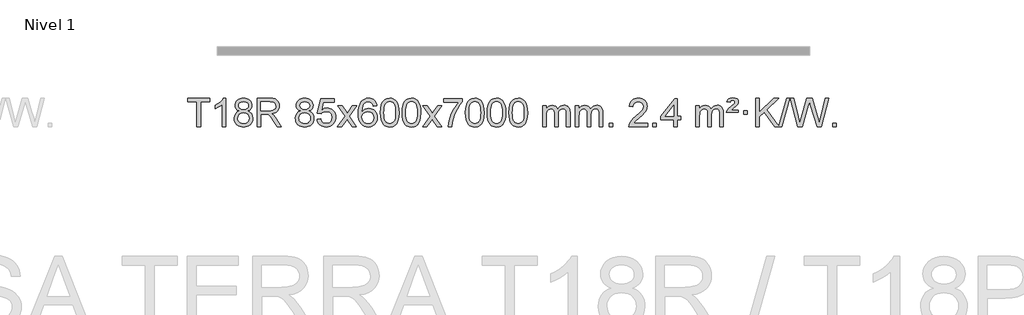
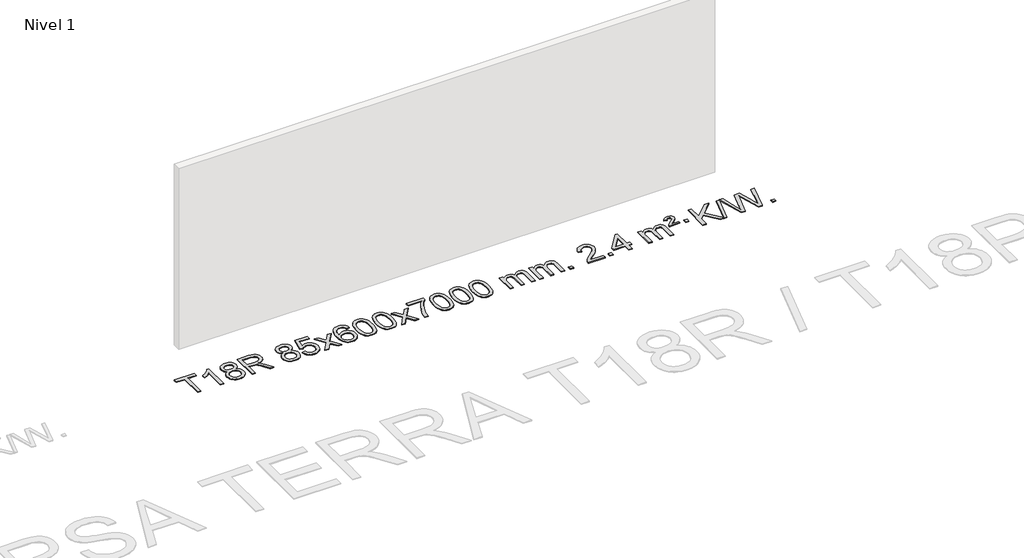
# One storey, part 5 of 7: 1 proxy.
"""IFC4 building model written with IfcOpenShell, lengths in millimetres."""

from ifc_helpers import new_model, si_unit, origin, origin_with_axes, place, context, project, spatial, polyline, outline, extrude, element, save

model = new_model("IFC4")

# Units and contexts
model_context = context("Model", 3, world=origin())
ifc_project = project(units=[si_unit("LENGTHUNIT", "METRE", prefix="MILLI")], contexts=[model_context])

# Site, building, storey
site = spatial("IfcSite", under=ifc_project)
building = spatial("IfcBuilding", under=site)
storey = spatial("IfcBuildingStorey", under=building, Name="Nivel 1", Elevation=0.0)

# Proxy
placement = place(None, origin())
element("IfcBuildingElementProxy", 1, Name="Texto de modelo 1", ObjectType="Texto de modelo 1", at=placement, inside=storey, context=model_context, shape_type="SweptSolid", body=[
    extrude(outline(polyline([(-14763.4200984, 2801.3831431), (-14763.4200984, 3152.9802287), (-14895.2690055, 3152.9802287), (-14895.2690055, 3203.2083837), (-14581.3430363, 3203.2083837), (-14581.3430363, 3152.9802287), (-14713.1919434, 3152.9802287), (-14713.1919434, 2801.3831431), (-14763.4200984, 2801.3831431)])), origin_with_axes(), (0.0, 0.0, 1.0), 10.0),
    extrude(outline(polyline([(-14355.3163385, 2801.3831431), (-14405.5444935, 2801.3831431), (-14405.5444935, 3114.5242974), (-14426.5137673, 3097.5649374), (-14453.1238982, 3080.6301029), (-14506.0008037, 3055.2707707), (-14506.0008037, 3102.7520736), (-14466.5515911, 3124.2118566), (-14432.3753537, 3149.7428671), (-14405.4341289, 3176.8925583), (-14387.689954, 3203.2083837), (-14355.3163385, 3203.2083837), (-14355.3163385, 2801.3831431)])), origin_with_axes(), (0.0, 0.0, 1.0), 10.0),
    extrude(outline(polyline([(-14162.8404786, 3022.7009514), (-14189.7326524, 3035.9447033), (-14208.6049988, 3053.8973446), (-14219.7518232, 3076.1909935), (-14223.4674314, 3102.457768), (-14221.4440804, 3122.9426637), (-14215.3740275, 3141.7230396), (-14205.2572726, 3158.7988955), (-14191.0938158, 3174.1702316), (-14173.5642387, 3186.8744231), (-14153.3491231, 3195.9488457), (-14130.4484689, 3201.3934992), (-14104.8622761, 3203.2083837), (-14079.153456, 3201.3505797), (-14056.0811236, 3195.7771674), (-14035.6452788, 3186.488147), (-14017.8459216, 3173.4835185), (-14003.4249473, 3157.8117455), (-13993.1242515, 3140.5212918), (-13986.943834, 3121.6121572), (-13984.8836948, 3101.0843419), (-13988.550252, 3075.663696), (-13999.5499237, 3053.7501918), (-14018.0053371, 3035.9079151), (-14044.0391196, 3022.7009514), (-14013.1247693, 3006.771661), (-13990.6226539, 2983.3130525), (-13976.9006555, 2953.4532972), (-13972.326656, 2918.3205667), (-13974.5952617, 2893.2678028), (-13981.4010786, 2870.2997036), (-13992.7441067, 2849.416269), (-14008.6243462, 2830.617499), (-14028.2079311, 2815.0806161), (-14050.6609955, 2803.9828426), (-14075.9835395, 2797.3241785), (-14104.1755631, 2795.1046237), (-14132.3675867, 2797.3333755), (-14157.6901307, 2804.0196308), (-14180.1431951, 2815.1633895), (-14199.72678, 2830.7646518), (-14215.6070194, 2849.6952461), (-14226.9500476, 2870.8270011), (-14233.7558645, 2894.1599166), (-14236.0244702, 2919.6939928), (-14231.2665297, 2956.1878867), (-14216.9927083, 2986.2070575), (-14193.9387699, 3008.7214356), (-14162.8404786, 3022.7009514)]), holes=[polyline([(-14173.2392763, 3100.98624), (-14168.7879042, 3079.0604731), (-14155.4337877, 3061.5492901), (-14133.5693345, 3050.0713719), (-14103.5869519, 3046.2453991), (-14074.3035451, 3050.0468464), (-14052.7701856, 3061.4511883), (-14039.5264338, 3078.37376), (-14035.1118499, 3098.7298971), (-14039.6735866, 3119.8585864), (-14053.3587968, 3137.3329811), (-14075.1864619, 3149.0684168), (-14104.1755631, 3152.9802287), (-14133.3486053, 3149.1542559), (-14155.1394822, 3137.6763377), (-14168.7143278, 3120.8518677), (-14173.2392763, 3100.98624)]), polyline([(-14185.7963151, 2921.4598264), (-14183.6993877, 2902.2441235), (-14177.4086056, 2883.6415573), (-14165.7957973, 2867.4179613), (-14147.7327913, 2855.3391691), (-14126.10133, 2847.8343764), (-14103.7831556, 2845.3327788), (-14069.5946555, 2850.5934914), (-14055.7009789, 2857.169382), (-14043.9410177, 2866.3756289), (-14027.9013628, 2890.2756959), (-14022.5548111, 2919.8901965), (-14028.073041, 2950.0074692), (-14044.6277308, 2974.4348337), (-14056.706523, 2983.8771382), (-14070.8699798, 2990.6216414), (-14105.4508873, 2996.017244), (-14139.1611408, 2990.6952178), (-14152.8984677, 2984.0426851), (-14164.5572612, 2974.7291393), (-14180.4865516, 2950.7677586), (-14185.7963151, 2921.4598264)])]), origin_with_axes(), (0.0, 0.0, 1.0), 10.0),
    extrude(outline(polyline([(-13909.5414622, 2801.3831431), (-13909.5414622, 3203.2083837), (-13736.3916698, 3203.2083837), (-13689.8545974, 3200.4983197), (-13655.9971911, 3192.3681276), (-13631.2509956, 3177.3585422), (-13612.0475554, 3154.0102982), (-13599.7235086, 3125.0579852), (-13595.615493, 3093.2361926), (-13597.3169472, 3072.5980127), (-13602.4213099, 3053.65209), (-13610.928581, 3036.3984244), (-13622.8387606, 3020.837016), (-13638.3051328, 3007.4645055), (-13657.4809818, 2996.7775335), (-13680.3663076, 2988.7761001), (-13706.9611102, 2983.4602053), (-13678.4134673, 2961.9758968), (-13637.7011932, 2910.2762137), (-13570.6976191, 2801.3831431), (-13629.068229, 2801.3831431), (-13681.3565233, 2884.6716268), (-13719.1257415, 2939.8048752), (-13733.166571, 2955.8813184), (-13745.6622961, 2965.8509204), (-13769.5501003, 2975.4158523), (-13798.6863543, 2977.1816859), (-13859.3133071, 2977.1816859), (-13859.3133071, 2801.3831431), (-13909.5414622, 2801.3831431)]), holes=[polyline([(-13859.3133071, 3027.409841), (-13746.8885694, 3027.409841), (-13714.6007929, 3029.1879373), (-13689.5480291, 3034.5222262), (-13670.6879454, 3043.768327), (-13656.9782097, 3057.281859), (-13648.6272885, 3073.6280823), (-13645.843648, 3091.3722572), (-13651.1534115, 3115.8731981), (-13667.0827019, 3135.6161985), (-13679.2442675, 3143.2129617), (-13694.4899105, 3148.6392211), (-13734.2334287, 3152.9802287), (-13859.3133071, 3152.9802287), (-13859.3133071, 3027.409841)])]), origin_with_axes(), (0.0, 0.0, 1.0), 10.0),
    extrude(outline(polyline([(-13296.4048035, 3022.7009514), (-13323.2969774, 3035.9447033), (-13342.1693237, 3053.8973446), (-13353.3161482, 3076.1909935), (-13357.0317563, 3102.457768), (-13355.0084054, 3122.9426637), (-13348.9383525, 3141.7230396), (-13338.8215976, 3158.7988955), (-13324.6581408, 3174.1702316), (-13307.1285637, 3186.8744231), (-13286.9134481, 3195.9488457), (-13264.0127939, 3201.3934992), (-13238.4266011, 3203.2083837), (-13212.717781, 3201.3505797), (-13189.6454485, 3195.7771674), (-13169.2096037, 3186.488147), (-13151.4102465, 3173.4835185), (-13136.9892723, 3157.8117455), (-13126.6885764, 3140.5212918), (-13120.5081589, 3121.6121572), (-13118.4480197, 3101.0843419), (-13122.114577, 3075.663696), (-13133.1142486, 3053.7501918), (-13151.569662, 3035.9079151), (-13177.6034446, 3022.7009514), (-13146.6890942, 3006.771661), (-13124.1869789, 2983.3130525), (-13110.4649804, 2953.4532972), (-13105.890981, 2918.3205667), (-13108.1595866, 2893.2678028), (-13114.9654035, 2870.2997036), (-13126.3084317, 2849.416269), (-13142.1886712, 2830.617499), (-13161.772256, 2815.0806161), (-13184.2253205, 2803.9828426), (-13209.5478645, 2797.3241785), (-13237.739888, 2795.1046237), (-13265.9319116, 2797.3333755), (-13291.2544556, 2804.0196308), (-13313.7075201, 2815.1633895), (-13333.2911049, 2830.7646518), (-13349.1713444, 2849.6952461), (-13360.5143726, 2870.8270011), (-13367.3201895, 2894.1599166), (-13369.5887951, 2919.6939928), (-13364.8308546, 2956.1878867), (-13350.5570332, 2986.2070575), (-13327.5030949, 3008.7214356), (-13296.4048035, 3022.7009514)]), holes=[polyline([(-13306.8036013, 3100.98624), (-13302.3522291, 3079.0604731), (-13288.9981127, 3061.5492901), (-13267.1336595, 3050.0713719), (-13237.1512769, 3046.2453991), (-13207.86787, 3050.0468464), (-13186.3345106, 3061.4511883), (-13173.0907588, 3078.37376), (-13168.6761748, 3098.7298971), (-13173.2379116, 3119.8585864), (-13186.9231218, 3137.3329811), (-13208.7507868, 3149.0684168), (-13237.739888, 3152.9802287), (-13266.9129303, 3149.1542559), (-13288.7038071, 3137.6763377), (-13302.2786527, 3120.8518677), (-13306.8036013, 3100.98624)]), polyline([(-13319.36064, 2921.4598264), (-13317.2637127, 2902.2441235), (-13310.9729306, 2883.6415573), (-13299.3601222, 2867.4179613), (-13281.2971163, 2855.3391691), (-13259.665655, 2847.8343764), (-13237.3474806, 2845.3327788), (-13203.1589805, 2850.5934914), (-13189.2653038, 2857.169382), (-13177.5053427, 2866.3756289), (-13161.4656877, 2890.2756959), (-13156.119136, 2919.8901965), (-13161.637366, 2950.0074692), (-13178.1920558, 2974.4348337), (-13190.2708479, 2983.8771382), (-13204.4343047, 2990.6216414), (-13239.0152123, 2996.017244), (-13272.7254658, 2990.6952178), (-13286.4627926, 2984.0426851), (-13298.1215862, 2974.7291393), (-13314.0508766, 2950.7677586), (-13319.36064, 2921.4598264)])]), origin_with_axes(), (0.0, 0.0, 1.0), 10.0),
    extrude(outline(polyline([(-13061.9413453, 2908.1179727), (-13011.7131902, 2914.396492), (-13002.4916149, 2884.2424312), (-12986.4029089, 2862.6477581), (-12963.5206488, 2849.6615236), (-12933.918411, 2845.3327788), (-12914.7885472, 2846.8380293), (-12897.9150264, 2851.3537808), (-12883.2978484, 2858.8800333), (-12870.9370134, 2869.4167868), (-12861.1084328, 2882.4428751), (-12854.088018, 2897.4371321), (-12848.4716862, 2933.3301521), (-12853.7323987, 2967.1262447), (-12860.3082894, 2981.0444468), (-12869.5145363, 2992.9760862), (-12881.3817964, 3002.5471495), (-12895.9407263, 3009.3836232), (-12933.133596, 3014.8528022), (-12957.4996469, 3012.6700357), (-12977.2303845, 3006.1217362), (-12992.9879967, 2996.0908204), (-13005.4346708, 2983.4602053), (-13055.6628259, 2989.7387247), (-13011.7131902, 3196.9298643), (-12817.0790893, 3196.9298643), (-12817.0790893, 3146.7017093), (-12971.0990179, 3146.7017093), (-12992.5833265, 3036.0428051), (-12974.8575457, 3048.7469967), (-12956.7025692, 3057.8214192), (-12938.1183971, 3063.2660728), (-12919.1050293, 3065.0809573), (-12894.6439423, 3062.8307457), (-12872.1755494, 3056.0801111), (-12851.6998507, 3044.8290534), (-12833.2168461, 3029.0775727), (-12817.9160208, 3009.7882934), (-12806.9868599, 2987.9238402), (-12800.4293633, 2963.4842129), (-12798.2435311, 2936.4694118), (-12800.2116998, 2910.447892), (-12806.1162058, 2886.2412567), (-12815.9570492, 2863.8495059), (-12829.7342299, 2843.2726396), (-12850.6054018, 2822.1991327), (-12874.9591899, 2807.1466277), (-12902.7955942, 2798.1151247), (-12934.1146147, 2795.1046237), (-12960.0349669, 2797.0390699), (-12983.4475902, 2802.8424084), (-13004.3524846, 2812.5146392), (-13022.7496501, 2826.0557623), (-13038.0566067, 2842.7913274), (-13049.6908748, 2862.0468841), (-13057.6524544, 2883.8224326), (-13061.9413453, 2908.1179727)])), origin_with_axes(), (0.0, 0.0, 1.0), 10.0),
    extrude(outline(polyline([(-12773.1294536, 2801.3831431), (-12665.8060129, 2949.7131636), (-12766.8509342, 3096.4735542), (-12706.4201851, 3096.4735542), (-12657.6635581, 3025.8402111), (-12634.9039253, 2992.4855769), (-12615.1854503, 3019.7578955), (-12559.6597945, 3096.4735542), (-12499.2290455, 3096.4735542), (-12605.3752638, 2949.7131636), (-12503.1531201, 2801.3831431), (-12563.5838692, 2801.3831431), (-12625.0937387, 2890.5577388), (-12636.3754533, 2906.8426484), (-12712.6987045, 2801.3831431), (-12773.1294536, 2801.3831431)])), origin_with_axes(), (0.0, 0.0, 1.0), 10.0),
    extrude(outline(polyline([(-12214.3412284, 3096.4735542), (-12264.5693835, 3090.1950348), (-12272.6627874, 3115.0883832), (-12283.6011454, 3132.0845313), (-12306.3853036, 3147.7563043), (-12333.9274023, 3152.9802287), (-12357.2756463, 3149.9390708), (-12379.2504641, 3140.8155973), (-12398.1228105, 3121.5998945), (-12413.5370661, 3095.149179), (-12423.9481265, 3057.7355801), (-12427.8108875, 3005.6312269), (-12407.6632169, 3029.1388863), (-12383.5178952, 3045.7058389), (-12356.7238233, 3055.5282881), (-12328.6299016, 3058.8024379), (-12304.4968427, 3056.5644891), (-12282.2277192, 3049.8506427), (-12261.8225312, 3038.6608987), (-12243.2812787, 3022.995257), (-12227.8731545, 3003.7856855), (-12216.8673514, 2981.9641518), (-12210.2638696, 2957.530656), (-12208.062709, 2930.485198), (-12212.2075128, 2894.5186016), (-12224.6419243, 2861.1762301), (-12244.3358737, 2832.8983674), (-12270.2592917, 2812.1252974), (-12301.2349557, 2799.3597922), (-12336.0856433, 2795.1046237), (-12366.0281721, 2797.9250524), (-12393.0705644, 2806.3863383), (-12417.2128203, 2820.4884814), (-12438.4549399, 2840.2314818), (-12455.7729848, 2866.4492053), (-12468.1430169, 2899.9755178), (-12475.5650361, 2940.8104193), (-12478.0390425, 2988.9539097), (-12475.2921903, 3042.9283298), (-12467.0516336, 3088.993287), (-12453.3173725, 3127.1487812), (-12434.0894068, 3157.3948126), (-12413.2488918, 3177.43825), (-12389.0851761, 3191.7549909), (-12361.5982597, 3200.3450355), (-12330.7881426, 3203.2083837), (-12307.6544965, 3201.4364188), (-12286.7158796, 3196.120524), (-12267.9722919, 3187.2606992), (-12251.4237335, 3174.8569446), (-12237.5177941, 3159.3261931), (-12226.7020634, 3141.0853775), (-12218.9765415, 3120.1344979), (-12214.3412284, 3096.4735542)]), holes=[polyline([(-12427.8108875, 2931.2700129), (-12424.9046197, 2909.0131522), (-12416.1858164, 2887.7618356), (-12402.647759, 2869.4903632), (-12385.2837288, 2856.1730349), (-12364.3267178, 2848.0428429), (-12340.0097179, 2845.3327788), (-12306.8635502, 2850.9491106), (-12292.9484137, 2857.9695254), (-12280.8052422, 2867.798106), (-12270.9552018, 2880.0363137), (-12263.9194586, 2894.2856096), (-12258.2908641, 2928.8174663), (-12263.8458822, 2961.963634), (-12270.7896549, 2975.5844649), (-12280.5109366, 2987.2371271), (-12292.6908963, 2996.5721327), (-12307.010703, 3003.2399939), (-12342.0698571, 3008.5742828), (-12375.166974, 3003.2399939), (-12402.8439627, 2987.2371271), (-12413.7669923, 2975.7377491), (-12421.5691563, 2962.5767707), (-12426.2504547, 2947.754192), (-12427.8108875, 2931.2700129)])]), origin_with_axes(), (0.0, 0.0, 1.0), 10.0),
    extrude(outline(polyline([(-12164.1130733, 2999.0584019), (-12160.4219906, 3063.3764374), (-12149.3487426, 3114.6714502), (-12131.0036938, 3153.7282554), (-12119.1456308, 3168.9616357), (-12105.4972088, 3181.3316677), (-12090.0124424, 3190.902731), (-12072.6453466, 3197.7392047), (-12032.2641663, 3203.2083837), (-12001.3130277, 3199.9710222), (-11973.5992508, 3190.2589375), (-11950.4226851, 3174.4522744), (-11933.0831804, 3152.9311777), (-11919.9865813, 3125.8795883), (-11909.5387327, 3093.4814473), (-11902.6961275, 3052.3399775), (-11900.4152592, 2999.0584019), (-11904.0695537, 2935.1082484), (-11915.0324371, 2883.9358628), (-11933.2671213, 2844.8422695), (-11945.0975932, 2829.562904), (-11958.7368181, 2817.1284925), (-11974.2399786, 2807.4930499), (-11991.6622567, 2800.6105909), (-12032.2641663, 2795.1046237), (-12059.9288923, 2797.4958567), (-12084.4543586, 2804.6695556), (-12105.8405653, 2816.6257205), (-12124.0875122, 2833.3643512), (-12141.5986952, 2863.6226453), (-12154.1066831, 2901.3244185), (-12161.6114758, 2946.4696707), (-12164.1130733, 2999.0584019)]), holes=[polyline([(-12113.8849182, 2999.1565037), (-12112.4133903, 2955.4919766), (-12107.9988063, 2920.1477139), (-12100.6411664, 2893.1237157), (-12090.3404706, 2874.4199819), (-12077.8815337, 2861.6943306), (-12064.0491706, 2852.6045796), (-12048.8433815, 2847.150729), (-12032.2641663, 2845.3327788), (-12015.684951, 2847.1568604), (-12000.4791619, 2852.6291051), (-11986.6467988, 2861.7495129), (-11974.1878619, 2874.5180838), (-11963.8871661, 2893.2524744), (-11956.5295262, 2920.2703412), (-11952.1149422, 2955.5716844), (-11950.6434143, 2999.1565037), (-11952.0658913, 3041.6652683), (-11956.3333224, 3076.3871973), (-11963.4457077, 3103.3222907), (-11973.403047, 3122.4705485), (-11985.6535175, 3135.8185336), (-11999.645296, 3145.3528086), (-12015.3783827, 3151.0733736), (-12032.8527774, 3152.9802287), (-12049.3461536, 3151.3002342), (-12064.2944253, 3146.2602509), (-12077.6975927, 3137.8602787), (-12089.5556556, 3126.1003175), (-12100.199708, 3105.2536711), (-12107.8026026, 3077.1474867), (-12112.3643393, 3041.7817642), (-12113.8849182, 2999.1565037)])]), origin_with_axes(), (0.0, 0.0, 1.0), 10.0),
    extrude(outline(polyline([(-11856.4656235, 2999.0584019), (-11852.7745408, 3063.3764374), (-11841.7012927, 3114.6714502), (-11823.3562439, 3153.7282554), (-11811.4981809, 3168.9616357), (-11797.8497589, 3181.3316677), (-11782.3649926, 3190.902731), (-11764.9978968, 3197.7392047), (-11724.6167164, 3203.2083837), (-11693.6655779, 3199.9710222), (-11665.9518009, 3190.2589375), (-11642.7752352, 3174.4522744), (-11625.4357305, 3152.9311777), (-11612.3391315, 3125.8795883), (-11601.8912828, 3093.4814473), (-11595.0486777, 3052.3399775), (-11592.7678093, 2999.0584019), (-11596.4221038, 2935.1082484), (-11607.3849873, 2883.9358628), (-11625.6196715, 2844.8422695), (-11637.4501433, 2829.562904), (-11651.0893683, 2817.1284925), (-11666.5925287, 2807.4930499), (-11684.0148069, 2800.6105909), (-11724.6167164, 2795.1046237), (-11752.2814425, 2797.4958567), (-11776.8069088, 2804.6695556), (-11798.1931155, 2816.6257205), (-11816.4400624, 2833.3643512), (-11833.9512454, 2863.6226453), (-11846.4592332, 2901.3244185), (-11853.9640259, 2946.4696707), (-11856.4656235, 2999.0584019)]), holes=[polyline([(-11806.2374684, 2999.1565037), (-11804.7659404, 2955.4919766), (-11800.3513565, 2920.1477139), (-11792.9937166, 2893.1237157), (-11782.6930207, 2874.4199819), (-11770.2340838, 2861.6943306), (-11756.4017208, 2852.6045796), (-11741.1959317, 2847.150729), (-11724.6167164, 2845.3327788), (-11708.0375012, 2847.1568604), (-11692.831712, 2852.6291051), (-11678.999349, 2861.7495129), (-11666.5404121, 2874.5180838), (-11656.2397162, 2893.2524744), (-11648.8820763, 2920.2703412), (-11644.4674924, 2955.5716844), (-11642.9959644, 2999.1565037), (-11644.4184415, 3041.6652683), (-11648.6858726, 3076.3871973), (-11655.7982579, 3103.3222907), (-11665.7555972, 3122.4705485), (-11678.0060676, 3135.8185336), (-11691.9978462, 3145.3528086), (-11707.7309328, 3151.0733736), (-11725.2053276, 3152.9802287), (-11741.6987037, 3151.3002342), (-11756.6469755, 3146.2602509), (-11770.0501428, 3137.8602787), (-11781.9082058, 3126.1003175), (-11792.5522582, 3105.2536711), (-11800.1551528, 3077.1474867), (-11804.7168895, 3041.7817642), (-11806.2374684, 2999.1565037)])]), origin_with_axes(), (0.0, 0.0, 1.0), 10.0),
    extrude(outline(polyline([(-11567.6537318, 2801.3831431), (-11460.3302911, 2949.7131636), (-11561.3752124, 3096.4735542), (-11500.9444634, 3096.4735542), (-11452.1878363, 3025.8402111), (-11429.4282035, 2992.4855769), (-11409.7097285, 3019.7578955), (-11354.1840727, 3096.4735542), (-11293.7533237, 3096.4735542), (-11399.899542, 2949.7131636), (-11297.6773983, 2801.3831431), (-11358.1081474, 2801.3831431), (-11419.6180169, 2890.5577388), (-11430.8997315, 2906.8426484), (-11507.2229827, 2801.3831431), (-11567.6537318, 2801.3831431)])), origin_with_axes(), (0.0, 0.0, 1.0), 10.0),
    extrude(outline(polyline([(-11266.2848014, 3146.7017093), (-11266.2848014, 3196.9298643), (-11002.5869872, 3196.9298643), (-11002.5869872, 3156.3156921), (-11040.1722644, 3108.7485501), (-11077.3896596, 3048.2564874), (-11110.2169963, 2980.3577338), (-11134.632098, 2910.5705193), (-11146.6005256, 2858.3558015), (-11153.2714524, 2801.3831431), (-11203.4996075, 2801.3831431), (-11198.0672167, 2853.1564026), (-11183.5358779, 2914.6907976), (-11160.2979985, 2979.9162754), (-11128.7459861, 3042.7627829), (-11091.9087356, 3099.5760257), (-11052.8151423, 3146.7017093), (-11266.2848014, 3146.7017093)])), origin_with_axes(), (0.0, 0.0, 1.0), 10.0),
    extrude(outline(polyline([(-10958.6373515, 2999.0584019), (-10954.9462688, 3063.3764374), (-10943.8730208, 3114.6714502), (-10925.527972, 3153.7282554), (-10913.669909, 3168.9616357), (-10900.021487, 3181.3316677), (-10884.5367206, 3190.902731), (-10867.1696248, 3197.7392047), (-10826.7884445, 3203.2083837), (-10795.8373059, 3199.9710222), (-10768.123529, 3190.2589375), (-10744.9469633, 3174.4522744), (-10727.6074586, 3152.9311777), (-10714.5108595, 3125.8795883), (-10704.0630109, 3093.4814473), (-10697.2204058, 3052.3399775), (-10694.9395374, 2999.0584019), (-10698.5938319, 2935.1082484), (-10709.5567153, 2883.9358628), (-10727.7913996, 2844.8422695), (-10739.6218714, 2829.562904), (-10753.2610964, 2817.1284925), (-10768.7642568, 2807.4930499), (-10786.1865349, 2800.6105909), (-10826.7884445, 2795.1046237), (-10854.4531705, 2797.4958567), (-10878.9786368, 2804.6695556), (-10900.3648435, 2816.6257205), (-10918.6117905, 2833.3643512), (-10936.1229734, 2863.6226453), (-10948.6309613, 2901.3244185), (-10956.135754, 2946.4696707), (-10958.6373515, 2999.0584019)]), holes=[polyline([(-10908.4091965, 2999.1565037), (-10906.9376685, 2955.4919766), (-10902.5230845, 2920.1477139), (-10895.1654446, 2893.1237157), (-10884.8647488, 2874.4199819), (-10872.4058119, 2861.6943306), (-10858.5734488, 2852.6045796), (-10843.3676597, 2847.150729), (-10826.7884445, 2845.3327788), (-10810.2092292, 2847.1568604), (-10795.0034401, 2852.6291051), (-10781.1710771, 2861.7495129), (-10768.7121402, 2874.5180838), (-10758.4114443, 2893.2524744), (-10751.0538044, 2920.2703412), (-10746.6392204, 2955.5716844), (-10745.1676925, 2999.1565037), (-10746.5901695, 3041.6652683), (-10750.8576007, 3076.3871973), (-10757.9699859, 3103.3222907), (-10767.9273252, 3122.4705485), (-10780.1777957, 3135.8185336), (-10794.1695742, 3145.3528086), (-10809.9026609, 3151.0733736), (-10827.3770556, 3152.9802287), (-10843.8704318, 3151.3002342), (-10858.8187035, 3146.2602509), (-10872.2218709, 3137.8602787), (-10884.0799338, 3126.1003175), (-10894.7239862, 3105.2536711), (-10902.3268808, 3077.1474867), (-10906.8886175, 3041.7817642), (-10908.4091965, 2999.1565037)])]), origin_with_axes(), (0.0, 0.0, 1.0), 10.0),
    extrude(outline(polyline([(-10650.9899017, 2999.0584019), (-10647.298819, 3063.3764374), (-10636.225571, 3114.6714502), (-10617.8805221, 3153.7282554), (-10606.0224591, 3168.9616357), (-10592.3740371, 3181.3316677), (-10576.8892708, 3190.902731), (-10559.522175, 3197.7392047), (-10519.1409946, 3203.2083837), (-10488.1898561, 3199.9710222), (-10460.4760791, 3190.2589375), (-10437.2995134, 3174.4522744), (-10419.9600087, 3152.9311777), (-10406.8634097, 3125.8795883), (-10396.415561, 3093.4814473), (-10389.5729559, 3052.3399775), (-10387.2920876, 2999.0584019), (-10390.946382, 2935.1082484), (-10401.9092655, 2883.9358628), (-10420.1439497, 2844.8422695), (-10431.9744215, 2829.562904), (-10445.6136465, 2817.1284925), (-10461.1168069, 2807.4930499), (-10478.5390851, 2800.6105909), (-10519.1409946, 2795.1046237), (-10546.8057207, 2797.4958567), (-10571.331187, 2804.6695556), (-10592.7173937, 2816.6257205), (-10610.9643406, 2833.3643512), (-10628.4755236, 2863.6226453), (-10640.9835114, 2901.3244185), (-10648.4883041, 2946.4696707), (-10650.9899017, 2999.0584019)]), holes=[polyline([(-10600.7617466, 2999.1565037), (-10599.2902186, 2955.4919766), (-10594.8756347, 2920.1477139), (-10587.5179948, 2893.1237157), (-10577.2172989, 2874.4199819), (-10564.758362, 2861.6943306), (-10550.925999, 2852.6045796), (-10535.7202099, 2847.150729), (-10519.1409946, 2845.3327788), (-10502.5617794, 2847.1568604), (-10487.3559902, 2852.6291051), (-10473.5236272, 2861.7495129), (-10461.0646903, 2874.5180838), (-10450.7639945, 2893.2524744), (-10443.4063545, 2920.2703412), (-10438.9917706, 2955.5716844), (-10437.5202426, 2999.1565037), (-10438.9427197, 3041.6652683), (-10443.2101508, 3076.3871973), (-10450.3225361, 3103.3222907), (-10460.2798754, 3122.4705485), (-10472.5303458, 3135.8185336), (-10486.5221244, 3145.3528086), (-10502.255211, 3151.0733736), (-10519.7296058, 3152.9802287), (-10536.2229819, 3151.3002342), (-10551.1712537, 3146.2602509), (-10564.574421, 3137.8602787), (-10576.432484, 3126.1003175), (-10587.0765364, 3105.2536711), (-10594.679431, 3077.1474867), (-10599.2411677, 3041.7817642), (-10600.7617466, 2999.1565037)])]), origin_with_axes(), (0.0, 0.0, 1.0), 10.0),
    extrude(outline(polyline([(-10343.3424519, 2999.0584019), (-10339.6513692, 3063.3764374), (-10328.5781211, 3114.6714502), (-10310.2330723, 3153.7282554), (-10298.3750093, 3168.9616357), (-10284.7265873, 3181.3316677), (-10269.241821, 3190.902731), (-10251.8747251, 3197.7392047), (-10211.4935448, 3203.2083837), (-10180.5424063, 3199.9710222), (-10152.8286293, 3190.2589375), (-10129.6520636, 3174.4522744), (-10112.3125589, 3152.9311777), (-10099.2159599, 3125.8795883), (-10088.7681112, 3093.4814473), (-10081.9255061, 3052.3399775), (-10079.6446377, 2999.0584019), (-10083.2989322, 2935.1082484), (-10094.2618157, 2883.9358628), (-10112.4964999, 2844.8422695), (-10124.3269717, 2829.562904), (-10137.9661967, 2817.1284925), (-10153.4693571, 2807.4930499), (-10170.8916353, 2800.6105909), (-10211.4935448, 2795.1046237), (-10239.1582708, 2797.4958567), (-10263.6837372, 2804.6695556), (-10285.0699438, 2816.6257205), (-10303.3168908, 2833.3643512), (-10320.8280738, 2863.6226453), (-10333.3360616, 2901.3244185), (-10340.8408543, 2946.4696707), (-10343.3424519, 2999.0584019)]), holes=[polyline([(-10293.1142968, 2999.1565037), (-10291.6427688, 2955.4919766), (-10287.2281849, 2920.1477139), (-10279.870545, 2893.1237157), (-10269.5698491, 2874.4199819), (-10257.1109122, 2861.6943306), (-10243.2785492, 2852.6045796), (-10228.07276, 2847.150729), (-10211.4935448, 2845.3327788), (-10194.9143295, 2847.1568604), (-10179.7085404, 2852.6291051), (-10165.8761774, 2861.7495129), (-10153.4172405, 2874.5180838), (-10143.1165446, 2893.2524744), (-10135.7589047, 2920.2703412), (-10131.3443208, 2955.5716844), (-10129.8727928, 2999.1565037), (-10131.2952698, 3041.6652683), (-10135.562701, 3076.3871973), (-10142.6750862, 3103.3222907), (-10152.6324256, 3122.4705485), (-10164.882896, 3135.8185336), (-10178.8746746, 3145.3528086), (-10194.6077612, 3151.0733736), (-10212.082156, 3152.9802287), (-10228.5755321, 3151.3002342), (-10243.5238038, 3146.2602509), (-10256.9269712, 3137.8602787), (-10268.7850342, 3126.1003175), (-10279.4290866, 3105.2536711), (-10287.0319811, 3077.1474867), (-10291.5937179, 3041.7817642), (-10293.1142968, 2999.1565037)])]), origin_with_axes(), (0.0, 0.0, 1.0), 10.0),
    extrude(outline(polyline([(-9866.1749786, 2801.3831431), (-9866.1749786, 3096.4735542), (-9815.9468236, 3096.4735542), (-9815.9468236, 3047.9131308), (-9800.8391363, 3070.2190425), (-9781.414967, 3087.6934372), (-9758.3365031, 3098.9874145), (-9732.2659324, 3102.7520736), (-9704.3314262, 3098.9138381), (-9681.9396755, 3087.3991316), (-9665.2133074, 3068.9682437), (-9654.2749494, 3044.3814637), (-9635.9666888, 3069.9186055), (-9615.0832542, 3088.1594211), (-9591.6246456, 3099.1039105), (-9565.5908631, 3102.7520736), (-9545.4830464, 3101.2345603), (-9527.8339077, 3096.6820207), (-9512.643447, 3089.0944545), (-9499.9116643, 3078.4718619), (-9489.847026, 3064.6916155), (-9482.6579987, 3047.631088), (-9478.3445823, 3027.2902793), (-9476.9067768, 3003.6691895), (-9476.9067768, 2801.3831431), (-9527.1349319, 2801.3831431), (-9527.1349319, 2982.0867792), (-9528.2998915, 3007.139543), (-9531.7947705, 3024.0253266), (-9538.34307, 3035.589084), (-9548.6682913, 3044.6757693), (-9561.9488314, 3050.5618812), (-9577.363087, 3052.5239185), (-9604.5740919, 3047.4961979), (-9626.7573762, 3032.4130361), (-9635.3627492, 3020.8431474), (-9641.5094442, 3006.2443635), (-9646.4268002, 2967.9601105), (-9646.4268002, 2801.3831431), (-9696.6549553, 2801.3831431), (-9696.6549553, 2987.6785855), (-9699.561223, 3016.0790755), (-9708.2800263, 3036.3371107), (-9723.6207055, 3048.4772166), (-9746.392601, 3052.5239185), (-9765.743194, 3049.8261172), (-9783.573208, 3041.7327133), (-9798.2884878, 3028.4399106), (-9808.2948781, 3010.1439127), (-9814.0338372, 2984.760055), (-9815.9468236, 2950.2036729), (-9815.9468236, 2801.3831431), (-9866.1749786, 2801.3831431)])), origin_with_axes(), (0.0, 0.0, 1.0), 10.0),
    extrude(outline(polyline([(-9401.5645442, 2801.3831431), (-9401.5645442, 3096.4735542), (-9351.3363891, 3096.4735542), (-9351.3363891, 3047.9131308), (-9336.2287019, 3070.2190425), (-9316.8045325, 3087.6934372), (-9293.7260687, 3098.9874145), (-9267.655498, 3102.7520736), (-9239.7209918, 3098.9138381), (-9217.329241, 3087.3991316), (-9200.602873, 3068.9682437), (-9189.664515, 3044.3814637), (-9171.3562544, 3069.9186055), (-9150.4728198, 3088.1594211), (-9127.0142112, 3099.1039105), (-9100.9804287, 3102.7520736), (-9080.872612, 3101.2345603), (-9063.2234732, 3096.6820207), (-9048.0330125, 3089.0944545), (-9035.3012298, 3078.4718619), (-9025.2365916, 3064.6916155), (-9018.0475642, 3047.631088), (-9013.7341478, 3027.2902793), (-9012.2963424, 3003.6691895), (-9012.2963424, 2801.3831431), (-9062.5244975, 2801.3831431), (-9062.5244975, 2982.0867792), (-9063.6894571, 3007.139543), (-9067.1843361, 3024.0253266), (-9073.7326356, 3035.589084), (-9084.0578569, 3044.6757693), (-9097.3383969, 3050.5618812), (-9112.7526525, 3052.5239185), (-9139.9636574, 3047.4961979), (-9162.1469417, 3032.4130361), (-9170.7523148, 3020.8431474), (-9176.8990098, 3006.2443635), (-9181.8163658, 2967.9601105), (-9181.8163658, 2801.3831431), (-9232.0445208, 2801.3831431), (-9232.0445208, 2987.6785855), (-9234.9507886, 3016.0790755), (-9243.6695919, 3036.3371107), (-9259.0102711, 3048.4772166), (-9281.7821666, 3052.5239185), (-9301.1327595, 3049.8261172), (-9318.9627736, 3041.7327133), (-9333.6780534, 3028.4399106), (-9343.6844436, 3010.1439127), (-9349.4234028, 2984.760055), (-9351.3363891, 2950.2036729), (-9351.3363891, 2801.3831431), (-9401.5645442, 2801.3831431)])), origin_with_axes(), (0.0, 0.0, 1.0), 10.0),
    extrude(outline(polyline([(-8924.397071, 2801.3831431), (-8924.397071, 2851.6112982), (-8874.1689159, 2851.6112982), (-8874.1689159, 2801.3831431), (-8924.397071, 2801.3831431)])), origin_with_axes(), (0.0, 0.0, 1.0), 10.0),
    extrude(outline(polyline([(-8378.1658846, 2851.6112982), (-8378.1658846, 2801.3831431), (-8641.8636987, 2801.3831431), (-8640.7600527, 2819.0660044), (-8636.4680961, 2836.0131016), (-8624.0827356, 2863.0769537), (-8605.958416, 2889.3314654), (-8579.7406924, 2916.8122505), (-8543.0751203, 2947.5549225), (-8488.8738396, 2995.698413), (-8456.3530713, 3031.2358137), (-8440.0926871, 3060.0777621), (-8434.672559, 3088.1348956), (-8439.7861188, 3113.2857614), (-8455.1267979, 3134.1937214), (-8478.7080338, 3148.2836018), (-8508.5432636, 3152.9802287), (-8539.8745469, 3148.3939664), (-8564.2160723, 3134.6351798), (-8579.9246334, 3112.7829893), (-8585.3570242, 3083.9165154), (-8635.5851793, 3090.1950348), (-8631.2656316, 3116.1245841), (-8623.4082853, 3138.7799836), (-8612.0131405, 3158.1612334), (-8597.0801972, 3174.2683334), (-8578.9528118, 3186.9296054), (-8557.9743411, 3195.9733712), (-8534.1447848, 3201.3996306), (-8507.4641431, 3203.2083837), (-8480.5443781, 3201.1972955), (-8456.5860632, 3195.1640308), (-8435.5891983, 3185.1085896), (-8417.5537835, 3171.0309719), (-8403.0684299, 3153.97351), (-8392.7217488, 3134.9785364), (-8386.5137402, 3114.0460508), (-8384.4444039, 3091.1760535), (-8386.6762214, 3067.1533592), (-8393.3716737, 3043.5475978), (-8405.2542621, 3019.5371663), (-8423.047488, 2994.3004614), (-8451.4111898, 2964.170926), (-8495.0052062, 2925.4820028), (-8552.7872049, 2877.1668341), (-8575.4487358, 2851.6112982), (-8378.1658846, 2851.6112982)])), origin_with_axes(), (0.0, 0.0, 1.0), 10.0),
    extrude(outline(polyline([(-8302.8236519, 2801.3831431), (-8302.8236519, 2851.6112982), (-8252.5954969, 2851.6112982), (-8252.5954969, 2801.3831431), (-8302.8236519, 2801.3831431)])), origin_with_axes(), (0.0, 0.0, 1.0), 10.0),
    extrude(outline(polyline([(-8007.7332409, 2801.3831431), (-8007.7332409, 2895.5609339), (-8189.810303, 2895.5609339), (-8189.810303, 2945.789089), (-7995.1762021, 3196.9298643), (-7957.5050858, 3196.9298643), (-7957.5050858, 2945.789089), (-7907.2769307, 2945.789089), (-7907.2769307, 2895.5609339), (-7957.5050858, 2895.5609339), (-7957.5050858, 2801.3831431), (-8007.7332409, 2801.3831431)]), holes=[polyline([(-8007.7332409, 2945.789089), (-8007.7332409, 3100.98624), (-8128.0061278, 2945.789089), (-8007.7332409, 2945.789089)])]), origin_with_axes(), (0.0, 0.0, 1.0), 10.0),
    extrude(outline(polyline([(-7693.8072717, 2801.3831431), (-7693.8072717, 3096.4735542), (-7643.5791166, 3096.4735542), (-7643.5791166, 3047.9131308), (-7628.4714293, 3070.2190425), (-7609.04726, 3087.6934372), (-7585.9687961, 3098.9874145), (-7559.8982254, 3102.7520736), (-7531.9637193, 3098.9138381), (-7509.5719685, 3087.3991316), (-7492.8456004, 3068.9682437), (-7481.9072424, 3044.3814637), (-7463.5989818, 3069.9186055), (-7442.7155472, 3088.1594211), (-7419.2569387, 3099.1039105), (-7393.2231561, 3102.7520736), (-7373.1153394, 3101.2345603), (-7355.4662007, 3096.6820207), (-7340.27574, 3089.0944545), (-7327.5439573, 3078.4718619), (-7317.479319, 3064.6916155), (-7310.2902917, 3047.631088), (-7305.9768753, 3027.2902793), (-7304.5390698, 3003.6691895), (-7304.5390698, 2801.3831431), (-7354.7672249, 2801.3831431), (-7354.7672249, 2982.0867792), (-7355.9321846, 3007.139543), (-7359.4270635, 3024.0253266), (-7365.975363, 3035.589084), (-7376.3005844, 3044.6757693), (-7389.5811244, 3050.5618812), (-7404.99538, 3052.5239185), (-7432.2063849, 3047.4961979), (-7454.3896692, 3032.4130361), (-7462.9950422, 3020.8431474), (-7469.1417372, 3006.2443635), (-7474.0590932, 2967.9601105), (-7474.0590932, 2801.3831431), (-7524.2872483, 2801.3831431), (-7524.2872483, 2987.6785855), (-7527.193516, 3016.0790755), (-7535.9123193, 3036.3371107), (-7551.2529985, 3048.4772166), (-7574.024894, 3052.5239185), (-7593.375487, 3049.8261172), (-7611.205501, 3041.7327133), (-7625.9207808, 3028.4399106), (-7635.9271711, 3010.1439127), (-7641.6661302, 2984.760055), (-7643.5791166, 2950.2036729), (-7643.5791166, 2801.3831431), (-7693.8072717, 2801.3831431)])), origin_with_axes(), (0.0, 0.0, 1.0), 10.0),
    extrude(outline(polyline([(-7260.5894341, 3002.2957634), (-7256.7634614, 3018.1146892), (-7248.4248028, 3033.9826659), (-7226.9159689, 3059.121269), (-7194.9592862, 3086.8595714), (-7150.8134468, 3124.2363821), (-7143.6765361, 3135.7633513), (-7141.2975658, 3147.5846261), (-7143.1860268, 3159.675681), (-7148.8514095, 3169.461342), (-7158.2201376, 3175.9360652), (-7171.2186348, 3178.0943062), (-7183.6530462, 3176.4756254), (-7192.5067396, 3171.6195831), (-7198.9324118, 3162.1527531), (-7204.0827597, 3146.7017093), (-7254.3109148, 3152.9802287), (-7243.4706586, 3178.1924081), (-7226.8423925, 3195.752642), (-7203.0772156, 3206.0533378), (-7170.8262273, 3209.4869031), (-7135.0435719, 3205.354362), (-7110.2973764, 3192.9567388), (-7095.8764022, 3174.6239527), (-7091.0694108, 3152.6859231), (-7095.1651636, 3129.7791375), (-7107.4524223, 3108.1476762), (-7127.9802376, 3088.3310994), (-7164.4496061, 3060.2739659), (-7190.0541929, 3033.6883604), (-7091.0694108, 3033.6883604), (-7091.0694108, 3002.2957634), (-7260.5894341, 3002.2957634)])), origin_with_axes(), (0.0, 0.0, 1.0), 10.0),
    extrude(outline(polyline([(-7015.7271782, 2977.1816859), (-7015.7271782, 3027.409841), (-6965.4990231, 3027.409841), (-6965.4990231, 2977.1816859), (-7015.7271782, 2977.1816859)])), origin_with_axes(), (0.0, 0.0, 1.0), 10.0),
    extrude(outline(polyline([(-6574.8573951, 2801.3831431), (-6728.2887126, 3004.061597), (-6795.9789997, 2939.5105696), (-6795.9789997, 2801.3831431), (-6846.2071548, 2801.3831431), (-6846.2071548, 3203.2083837), (-6795.9789997, 3203.2083837), (-6795.9789997, 3006.5141436), (-6589.9650824, 3203.2083837), (-6519.7241468, 3203.2083837), (-6692.6777355, 3038.0048424), (-6518.0241256, 2807.4276629), (-6406.7107979, 3203.2083837), (-6361.3877361, 3203.2083837), (-6474.401085, 2801.3831431), (-6513.4456274, 2801.3831431), (-6519.7241468, 2801.3831431), (-6574.8573951, 2801.3831431)])), origin_with_axes(), (0.0, 0.0, 1.0), 10.0),
    extrude(outline(polyline([(-6246.9028592, 2801.3831431), (-6356.4826428, 3203.2083837), (-6304.6848579, 3203.2083837), (-6241.1148491, 2939.1181621), (-6221.494476, 2857.595512), (-6200.5006768, 2929.700383), (-6120.8419622, 3203.2083837), (-6046.1864426, 3203.2083837), (-5988.306342, 3004.9445138), (-5963.5110955, 2931.3681148), (-5945.2396231, 2857.595512), (-5926.2078612, 2936.7637174), (-5862.0492413, 3203.2083837), (-5810.2514564, 3203.2083837), (-5919.9293419, 2801.3831431), (-5973.5910622, 2801.3831431), (-6069.927094, 3111.3850377), (-6083.3670496, 3154.6479604), (-6098.4747368, 3102.5558698), (-6186.2759064, 2801.3831431), (-6246.9028592, 2801.3831431)])), origin_with_axes(), (0.0, 0.0, 1.0), 10.0),
    extrude(outline(polyline([(-5753.7447819, 2801.3831431), (-5753.7447819, 2851.6112982), (-5703.5166268, 2851.6112982), (-5703.5166268, 2801.3831431), (-5753.7447819, 2801.3831431)])), origin_with_axes(), (0.0, 0.0, 1.0), 10.0),
])

save(model, "model.ifc")
